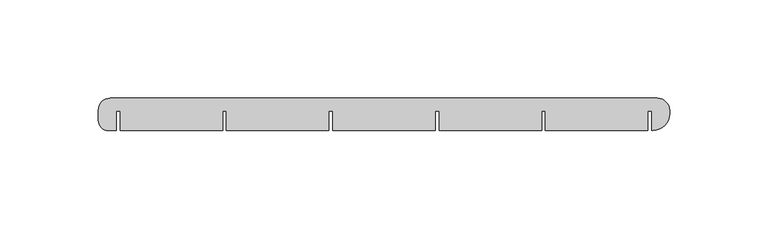
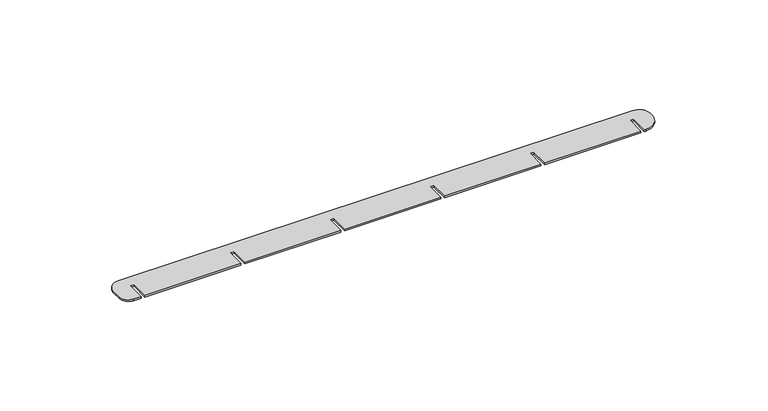
"""IFC4 building model written with IfcOpenShell, lengths in millimetres: proxy geometry."""

from ifc_helpers import new_model, si_unit, point, frame_2d, origin, origin_with_axes, place, context, project, spatial, polyline, circle_curve, trimmed, segment, composite_curve, outline, extrude, source, transform, mapped, element, save


def generic_models_c26b510d(model_context):
    return source(origin(), model_context, "Body", "SweptSolid", [
        extrude(outline(composite_curve([segment(trimmed(circle_curve(frame_2d((273.8017997, 10.2017997)), 6.1982003), [point((273.8017997, 16.4))], [point((280.0, 10.2017997))], False, "CARTESIAN"), True, "CONTINUOUS"), segment(polyline([(280.0, 10.2017997), (280.0, 8.4)]), True, "CONTINUOUS"), segment(trimmed(circle_curve(frame_2d((271.6, 8.4)), 8.4), [point((280.0, 8.4))], [point((271.6, 0.0))], False, "CARTESIAN"), True, "CONTINUOUS"), segment(polyline([(271.6, 0.0), (271.0, 0.0), (271.0, 10.0), (269.0, 10.0), (269.0, 0.0), (217.0, 0.0), (217.0, 10.0), (215.0, 10.0), (215.0, 0.0), (163.0, 0.0), (163.0, 10.0), (161.0, 10.0), (161.0, 0.0), (109.0, 0.0), (109.0, 10.0), (107.0, 10.0), (107.0, 0.0), (55.0, 0.0), (55.0, 10.0), (53.0, 10.0), (53.0, 0.0), (1.0, 0.0), (1.0, 10.0), (-1.0, 10.0), (-1.0, 0.0), (-5.0, 0.0)]), True, "CONTINUOUS"), segment(trimmed(circle_curve(frame_2d((-5.0, 5.0)), 5.0), [point((-5.0, 0.0))], [point((-10.0, 5.0))], False, "CARTESIAN"), True, "CONTINUOUS"), segment(polyline([(-10.0, 5.0), (-10.0, 10.3656042)]), True, "CONTINUOUS"), segment(trimmed(circle_curve(frame_2d((-3.9656042, 10.3656042)), 6.0343958), [point((-10.0, 10.3656042))], [point((-3.9656042, 16.4))], False, "CARTESIAN"), True, "CONTINUOUS"), segment(polyline([(-3.9656042, 16.4), (273.8017997, 16.4)]), True, "CONTINUOUS")], self_intersect=False)), origin_with_axes(), (0.0, 0.0, 1.0), 1.0),
    ])


if __name__ == "__main__":
    model = new_model("IFC4")
    model_context = context("Model", 3, world=origin())
    ifc_project = project(units=[si_unit("LENGTHUNIT", "METRE", prefix="MILLI")], contexts=[model_context])
    site = spatial("IfcSite", under=ifc_project)
    building = spatial("IfcBuilding", under=site)
    placement = place(None, origin())
    generic_models_shape = generic_models_c26b510d(model_context)
    element("IfcBuildingElementProxy", 1, Name="Generic Models", at=placement, inside=building, context=model_context, shape_type="MappedRepresentation", body=[
        mapped(generic_models_shape, transform((0.0, 0.0, 0.0), x_axis=(1.0, 0.0, 0.0), y_axis=(0.0, 1.0, 0.0), z_axis=(0.0, 0.0, 1.0))),
    ])
    save(model, "model.ifc")
